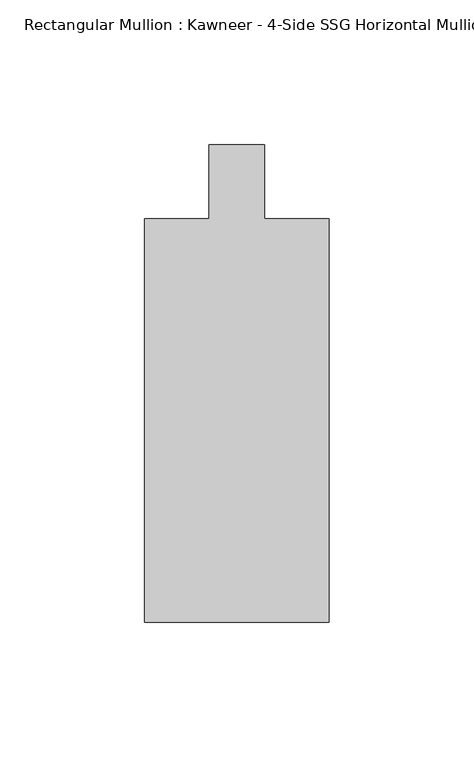
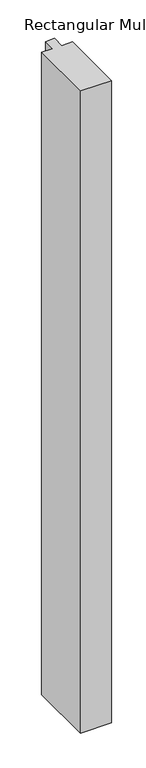
"""IFC4 building model written with IfcOpenShell, lengths in millimetres: member geometry."""

from ifc_helpers import new_model, si_unit, frame, origin, place, context, project, spatial, polyline, outline, extrude, source, transform, mapped, element, save


def member_0f8700d4(model_context):
    return source(origin(), model_context, "Body", "SweptSolid", [
        extrude(outline(polyline([(-31.75, -151.892), (-31.75, -12.7), (-9.5251132, -12.7), (-9.5251132, 12.7), (9.5251132, 12.7), (9.5251132, -12.7), (31.75, -12.7), (31.75, -151.892), (-31.75, -151.892)])), frame((0.0, 0.0, -1405.3900547), z_axis=(0.0, 0.0, 1.0), x_axis=(1.0, 0.0, 0.0)), (0.0, 0.0, 1.0), 1405.3900547),
    ])


if __name__ == "__main__":
    model = new_model("IFC4")
    model_context = context("Model", 3, world=origin())
    ifc_project = project(units=[si_unit("LENGTHUNIT", "METRE", prefix="MILLI")], contexts=[model_context])
    site = spatial("IfcSite", under=ifc_project)
    building = spatial("IfcBuilding", under=site)
    placement = place(None, origin())
    member_shape = member_0f8700d4(model_context)
    element("IfcMember", 1, ObjectType="Rectangular Mullion : Kawneer - 4-Side SSG Horizontal Mullion - 6 1/2\"", at=placement, inside=building, context=model_context, shape_type="MappedRepresentation", body=[
        mapped(member_shape, transform((0.0, 0.0, 0.0), x_axis=(1.0, 0.0, 0.0), y_axis=(0.0, 1.0, 0.0), z_axis=(0.0, 0.0, 1.0))),
    ])
    save(model, "model.ifc")
